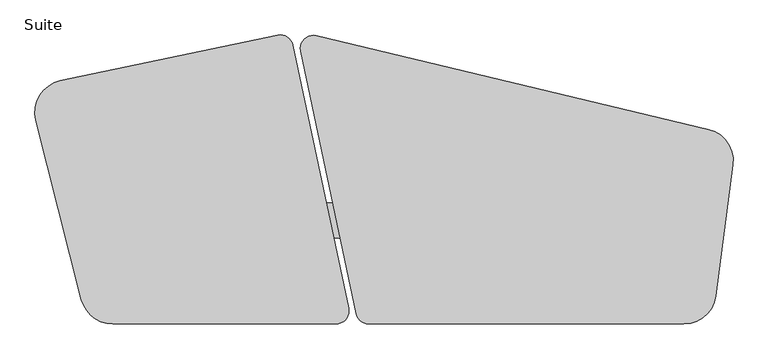
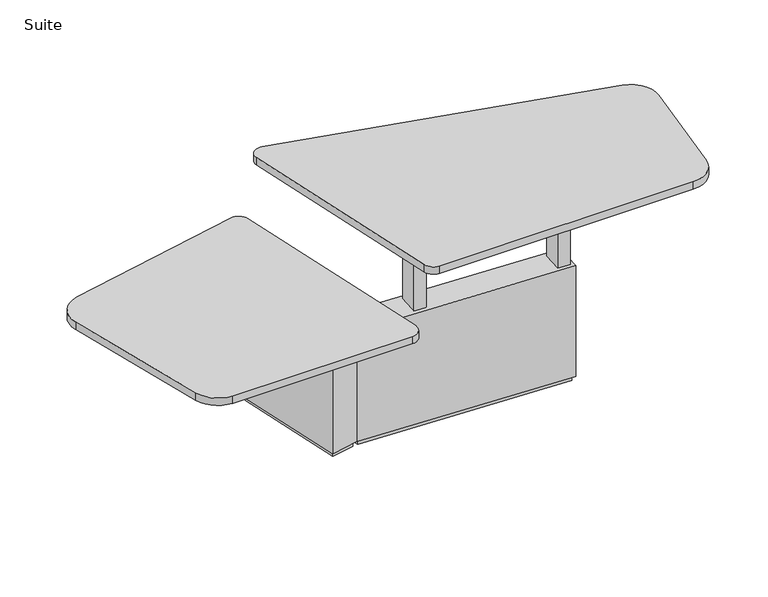
"""IFC4 building model written with IfcOpenShell, lengths in millimetres: furniture geometry, Suite."""

from ifc_helpers import new_model, si_unit, point, frame, frame_2d, origin, origin_with_axes, place, context, project, spatial, polyline, circle_curve, trimmed, segment, composite_curve, outline, extrude, source, transform, mapped, element, save
from ifc_brep_helpers import plane_surface, spline_surface, advanced_brep


def suite_8fb2dead(model_context):
    return source(origin(), model_context, "Body", "SolidModel", [
        advanced_brep(
        [(-57.5389137, 481.0494589, 958.85), (782.9553744, 443.6933837, 958.85), (775.6440414, 304.1848377, 958.85), (-28.3078987, 339.9167749, 958.85), (-147.1173066, 913.5503143, 1028.7), (6.6347473, 171.207293, 1028.7), (768.9868405, 171.207293, 1028.7), (795.5735062, 678.5110966, 1028.7)],
        [
            (0, 1),
            (1, 2),
            (2, 3),
            (3, 0),
            (4, 5),
            (5, 6),
            (6, 7),
            (7, 4),
            (7, 1),
            (0, 4),
            (6, 2),
            (5, 3),
        ],
        [
            plane_surface(frame((368.1881509, 392.2111138, 958.85), z_axis=(0.0, 0.0, -1.0000000000000002), x_axis=(0.9990137656847126, -0.04440153119488584, 0.0))),
            plane_surface(frame((356.0194468, 483.6189992, 1028.7), z_axis=(0.0, 0.0, 1.0000000000000002), x_axis=(0.9990137656847126, -0.04440153119488584, 0.0))),
            spline_surface(1, 1, [[(795.5735062, 678.5110966, 1028.7), (-147.1173066, 913.5503143, 1028.7)], [(782.9553744, 443.6933837, 958.85), (-57.5389137, 481.0494589, 958.85)]], [2, 2], [2, 2], [0.0, 1.0], [0.0, 1.0]),
            plane_surface(frame((782.2801733, 424.8591948, 1028.7), z_axis=(0.9986196092022902, -0.052335436066788, -0.00445850292861042), x_axis=(0.05233595624294135, 0.998629534754574, 0.0))),
            spline_surface(1, 1, [[(6.6347473, 171.207293, 1028.7), (768.9868405, 171.207293, 1028.7)], [(-28.3078987, 339.9167749, 958.85), (775.6440414, 304.1848377, 958.85)]], [2, 2], [2, 2], [0.0, 1.0], [0.0, 1.0]),
            plane_surface(frame((-70.2412797, 542.3788036, 1028.7), z_axis=(-0.979217517943536, -0.2028128510536277, 0.0), x_axis=(0.2028128510536277, -0.979217517943536, 0.0))),
        ],
        [
            (0, [[1, 2, 3, 4]]),
            (1, [[5, 6, 7, 8]]),
            (2, [[9, -1, 10, -8]]),
            (3, [[11, -2, -9, -7]]),
            (4, [[12, -3, -11, -6]]),
            (5, [[-10, -4, -12, -5]]),
        ],
    ),
        extrude(outline(polyline([(82.1381448, 454.7539427), (77.6721264, 354.2697745), (17.7316686, 356.9338278), (22.1976869, 457.417996), (82.1381448, 454.7539427)])), frame((0.0, 0.0, 596.9), z_axis=(0.0, 0.0, 1.0), x_axis=(1.0, 0.0, 0.0)), (0.0, 0.0, 1.0), 361.95),
        extrude(outline(polyline([(765.869007, 424.3655282), (761.4029887, 323.88136), (701.4625308, 326.5454133), (705.9285491, 427.0295815), (765.869007, 424.3655282)])), frame((0.0, 0.0, 596.9), z_axis=(0.0, 0.0, 1.0), x_axis=(1.0, 0.0, 0.0)), (0.0, 0.0, 1.0), 361.95),
        extrude(outline(polyline([(-251.8069909, 362.5496455), (-275.7263207, 478.0365425), (769.5265737, 431.5693187), (764.4503086, 317.3817192), (-251.8069909, 362.5496455)])), origin_with_axes(), (0.0, 0.0, 1.0), 25.4),
        extrude(outline(polyline([(-537.7010029, 1044.1486566), (-427.8418086, 1067.2926783), (-279.0324119, 360.9296869), (-388.8916062, 337.7856651), (-537.7010029, 1044.1486566)])), origin_with_axes(), (0.0, 0.0, 1.0), 25.4),
        extrude(outline(polyline([(776.5737559, 304.1303506), (-262.2395803, 350.3007883), (-291.4738424, 491.4491495), (782.7780704, 443.6927603), (776.5737559, 304.1303506)])), frame((0.0, 0.0, 25.4), z_axis=(0.0, 0.0, 1.0), x_axis=(1.0, 0.0, 0.0)), (0.0, 0.0, 1.0), 571.5),
        extrude(outline(polyline([(-398.7007874, 322.7404013), (-552.7462667, 1053.9578378), (-418.0326274, 1082.3379421), (-263.9871481, 351.1205057), (-398.7007874, 322.7404013)])), frame((0.0, 0.0, 25.4), z_axis=(0.0, 0.0, 1.0), x_axis=(1.0, 0.0, 0.0)), (0.0, 0.0, 1.0), 685.8),
        extrude(outline(polyline([(-399.6909924, 322.532087), (-783.9414571, 241.5795175), (-937.9891663, 972.7978919), (-553.7414488, 1053.7498827), (-399.6909924, 322.532087)])), frame((0.0, 0.0, 631.825), z_axis=(0.0, 0.0, 1.0), x_axis=(1.0, 0.0, 0.0)), (0.0, 0.0, 1.0), 79.375),
        extrude(outline(composite_curve([segment(trimmed(circle_curve(frame_2d((-59.0241965, 60.890159)), 50.8), [point((-59.0241965, 10.090159))], [point((-108.7260181, 50.3844971))], False, "CARTESIAN"), True, "CONTINUOUS"), segment(polyline([(-108.7260181, 50.3844971), (-327.5825069, 1085.7848608)]), True, "CONTINUOUS"), segment(trimmed(circle_curve(frame_2d((-277.8806853, 1096.2905227)), 50.8), [point((-327.5825069, 1085.7848608))], [point((-266.0708045, 1145.6986872))], False, "CARTESIAN"), True, "CONTINUOUS"), segment(polyline([(-266.0708045, 1145.6986872), (1277.7354865, 776.6874427)]), True, "CONTINUOUS"), segment(trimmed(circle_curve(frame_2d((1248.2107846, 653.1670315)), 127.0), [point((1277.7354865, 776.6874427))], [point((1374.1640998, 636.8955112))], False, "CARTESIAN"), True, "CONTINUOUS"), segment(polyline([(1374.1640998, 636.8955112), (1307.4937205, 120.8186387)]), True, "CONTINUOUS"), segment(trimmed(circle_curve(frame_2d((1181.5404053, 137.090159)), 127.0), [point((1307.4937205, 120.8186387))], [point((1181.5404053, 10.090159))], False, "CARTESIAN"), True, "CONTINUOUS"), segment(polyline([(1181.5404053, 10.090159), (-59.0241965, 10.090159)]), True, "CONTINUOUS")], self_intersect=False)), frame((0.0, 0.0, 1028.7), z_axis=(0.0, 0.0, 1.0), x_axis=(1.0, 0.0, 0.0)), (0.0, 0.0, 1.0), 38.1),
        extrude(outline(composite_curve([segment(trimmed(circle_curve(frame_2d((-1246.729773, 843.8983393)), 127.0), [point((-1369.8218301, 812.635814))], [point((-1272.910616, 968.170474))], False, "CARTESIAN"), True, "CONTINUOUS"), segment(polyline([(-1272.910616, 968.170474), (-417.9136986, 1148.295649)]), True, "CONTINUOUS"), segment(trimmed(circle_curve(frame_2d((-407.4413614, 1098.5867951)), 50.8), [point((-417.9136986, 1148.295649))], [point((-357.7325075, 1109.0591323))], False, "CARTESIAN"), True, "CONTINUOUS"), segment(polyline([(-357.7325075, 1109.0591323), (-139.117268, 71.3621202)]), True, "CONTINUOUS"), segment(trimmed(circle_curve(frame_2d((-188.8261219, 60.889783)), 50.8), [point((-139.117268, 71.3621202))], [point((-188.8261219, 10.089783))], False, "CARTESIAN"), True, "CONTINUOUS"), segment(polyline([(-188.8261219, 10.089783), (-1067.216806, 10.089783)]), True, "CONTINUOUS"), segment(trimmed(circle_curve(frame_2d((-1067.216806, 137.089783)), 127.0), [point((-1067.216806, 10.089783))], [point((-1190.308863, 105.8272577))], False, "CARTESIAN"), True, "CONTINUOUS"), segment(polyline([(-1190.308863, 105.8272577), (-1369.8218301, 812.635814)]), True, "CONTINUOUS")], self_intersect=False)), frame((0.0, 0.0, 711.2), z_axis=(0.0, 0.0, 1.0), x_axis=(1.0, 0.0, 0.0)), (0.0, 0.0, 1.0), 38.1),
    ])


if __name__ == "__main__":
    model = new_model("IFC4")
    model_context = context("Model", 3, world=origin())
    ifc_project = project(units=[si_unit("LENGTHUNIT", "METRE", prefix="MILLI")], contexts=[model_context])
    site = spatial("IfcSite", under=ifc_project)
    building = spatial("IfcBuilding", under=site)
    placement = place(None, origin())
    suite_shape = suite_8fb2dead(model_context)
    element("IfcFurniture", 1, ObjectType="Suite", at=placement, inside=building, context=model_context, shape_type="MappedRepresentation", body=[
        mapped(suite_shape, transform((0.0, 0.0, 0.0), x_axis=(1.0, 0.0, 0.0), y_axis=(0.0, 1.0, 0.0), z_axis=(0.0, 0.0, 1.0))),
    ])
    save(model, "model.ifc")
